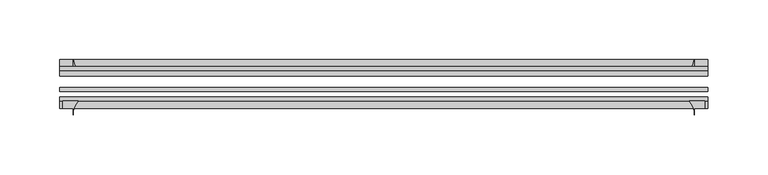
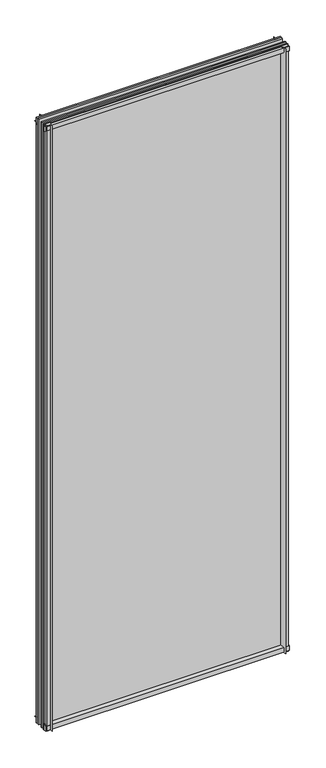
"""IFC4 building model written with IfcOpenShell, lengths in millimetres: plate geometry."""

from ifc_helpers import new_model, si_unit, point, frame, frame_2d, origin, place, context, project, spatial, polyline, circle_curve, trimmed, segment, composite_curve, outline, extrude, source, transform, mapped, element, save


def plate_d3143988(model_context):
    return source(origin(), model_context, "Body", "SweptSolid", [
        extrude(outline(composite_curve([segment(polyline([(-42.891075, -11.1125), (-42.891075, 3.8539528)]), True, "CONTINUOUS"), segment(trimmed(circle_curve(frame_2d((-26.637892, 29.5913262)), 30.4397495), [point((-42.891075, 3.8539528))], [point((-33.7745413, 0.0))], True, "CARTESIAN"), True, "CONTINUOUS"), segment(polyline([(-33.7745413, 0.0), (-39.690675, 0.0), (-39.690675, -11.1125), (-42.891075, -11.1125)]), True, "CONTINUOUS")], self_intersect=False)), frame((-271.4625, 0.0, 0.0), z_axis=(1.0, 0.0, 0.0), x_axis=(0.0, 1.0, 0.0)), (0.0, 0.0, 1.0), 542.925),
        extrude(outline(composite_curve([segment(trimmed(circle_curve(frame_2d((-80.4922797, 17.8701603)), 18.6769817), [point((-74.641075, 0.1333891))], [point((-68.291075, 3.72943))], True, "CARTESIAN"), True, "CONTINUOUS"), segment(polyline([(-68.291075, 3.72943), (-68.291075, -10.3251), (-74.641075, -10.3251), (-74.641075, 0.1333891)]), True, "CONTINUOUS")], self_intersect=False)), frame((-271.4625, 0.0, 0.0), z_axis=(1.0, 0.0, 0.0), x_axis=(0.0, 1.0, 0.0)), (0.0, 0.0, 1.0), 542.925),
        extrude(outline(composite_curve([segment(polyline([(-42.891075, 1396.3083472), (-42.891075, 1411.2875), (-39.690675, 1411.2875), (-39.690675, 1400.175), (-33.721675, 1400.175)]), True, "CONTINUOUS"), segment(trimmed(circle_curve(frame_2d((-26.637892, 1370.5709738)), 30.4397495), [point((-33.721675, 1400.175))], [point((-42.891075, 1396.3083472))], True, "CARTESIAN"), True, "CONTINUOUS")], self_intersect=False)), frame((-271.4625, 0.0, 0.0), z_axis=(1.0, 0.0, 0.0), x_axis=(0.0, 1.0, 0.0)), (0.0, 0.0, 1.0), 542.925),
        extrude(outline(composite_curve([segment(polyline([(-68.291075, 1408.9126), (-68.291075, 1395.63912)]), True, "CONTINUOUS"), segment(trimmed(circle_curve(frame_2d((-80.4922797, 1381.4983897)), 18.6769817), [point((-68.291075, 1395.63912))], [point((-74.641075, 1399.2351609))], True, "CARTESIAN"), True, "CONTINUOUS"), segment(polyline([(-74.641075, 1399.2351609), (-74.641075, 1408.9126), (-68.291075, 1408.9126)]), True, "CONTINUOUS")], self_intersect=False)), frame((-271.4625, 0.0, 0.0), z_axis=(1.0, 0.0, 0.0), x_axis=(0.0, 1.0, 0.0)), (0.0, 0.0, 1.0), 542.925),
        extrude(outline(composite_curve([segment(polyline([(255.81412, -68.291075), (269.0876, -68.291075), (269.0876, -74.641075), (260.35, -74.641075), (260.35, -80.3744844)]), True, "CONTINUOUS"), segment(trimmed(circle_curve(frame_2d((241.6733897, -80.4922797)), 18.6769817), [point((260.35, -80.3744844))], [point((255.81412, -68.291075))], True, "CARTESIAN"), True, "CONTINUOUS")], self_intersect=False)), frame((0.0, 0.0, -11.1125), z_axis=(0.0, 0.0, 1.0), x_axis=(1.0, 0.0, 0.0)), (0.0, 0.0, 1.0), 1422.4),
        extrude(outline(composite_curve([segment(trimmed(circle_curve(frame_2d((230.7459738, -26.637892)), 30.4397495), [point((256.4833472, -42.891075))], [point((260.35, -33.721675))], True, "CARTESIAN"), True, "CONTINUOUS"), segment(polyline([(260.35, -33.721675), (260.35, -39.690675), (271.4625, -39.690675), (271.4625, -42.891075), (256.4833472, -42.891075)]), True, "CONTINUOUS")], self_intersect=False)), frame((0.0, 0.0, -11.1125), z_axis=(0.0, 0.0, 1.0), x_axis=(1.0, 0.0, 0.0)), (0.0, 0.0, 1.0), 1422.4),
        extrude(outline(composite_curve([segment(trimmed(circle_curve(frame_2d((-241.6733897, -80.4922797)), 18.6769817), [point((-255.81412, -68.291075))], [point((-260.35, -80.3744844))], True, "CARTESIAN"), True, "CONTINUOUS"), segment(polyline([(-260.35, -80.3744844), (-260.35, -74.641075), (-269.0876, -74.641075), (-269.0876, -68.291075), (-255.81412, -68.291075)]), True, "CONTINUOUS")], self_intersect=False)), frame((0.0, 0.0, -11.1125), z_axis=(0.0, 0.0, 1.0), x_axis=(1.0, 0.0, 0.0)), (0.0, 0.0, 1.0), 1422.4),
        extrude(outline(composite_curve([segment(polyline([(-256.4833472, -42.891075), (-271.4625, -42.891075), (-271.4625, -39.690675), (-260.35, -39.690675), (-260.35, -33.721675)]), True, "CONTINUOUS"), segment(trimmed(circle_curve(frame_2d((-230.7459738, -26.637892)), 30.4397495), [point((-260.35, -33.721675))], [point((-256.4833472, -42.891075))], True, "CARTESIAN"), True, "CONTINUOUS")], self_intersect=False)), frame((0.0, 0.0, -11.1125), z_axis=(0.0, 0.0, 1.0), x_axis=(1.0, 0.0, 0.0)), (0.0, 0.0, 1.0), 1422.4),
        extrude(outline(polyline([(-271.4625, -42.891075), (271.4625, -42.891075), (271.4625, -47.653575), (-271.4625, -47.653575), (-271.4625, -42.891075)])), frame((0.0, 0.0, -11.1125), z_axis=(0.0, 0.0, 1.0), x_axis=(1.0, 0.0, 0.0)), (0.0, 0.0, 1.0), 1422.4),
        extrude(outline(polyline([(271.4625, -57.369075), (271.4625, -60.544075), (-271.4625, -60.544075), (-271.4625, -57.369075), (271.4625, -57.369075)])), frame((0.0, 0.0, -11.1125), z_axis=(0.0, 0.0, 1.0), x_axis=(1.0, 0.0, 0.0)), (0.0, 0.0, 1.0), 1422.4),
        extrude(outline(polyline([(-271.4625, -65.116075), (271.4625, -65.116075), (271.4625, -68.291075), (-271.4625, -68.291075), (-271.4625, -65.116075)])), frame((0.0, 0.0, -11.1125), z_axis=(0.0, 0.0, 1.0), x_axis=(1.0, 0.0, 0.0)), (0.0, 0.0, 1.0), 1422.4),
    ])


if __name__ == "__main__":
    model = new_model("IFC4")
    model_context = context("Model", 3, world=origin())
    ifc_project = project(units=[si_unit("LENGTHUNIT", "METRE", prefix="MILLI")], contexts=[model_context])
    site = spatial("IfcSite", under=ifc_project)
    building = spatial("IfcBuilding", under=site)
    placement = place(None, origin())
    plate_shape = plate_d3143988(model_context)
    element("IfcPlate", 1, at=placement, inside=building, context=model_context, shape_type="MappedRepresentation", body=[
        mapped(plate_shape, transform((0.0, 0.0, 0.0), x_axis=(1.0, 0.0, 0.0), y_axis=(0.0, 1.0, 0.0), z_axis=(0.0, 0.0, 1.0))),
    ])
    save(model, "model.ifc")
